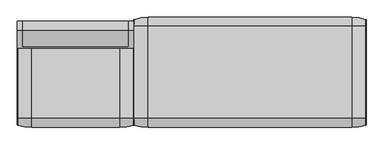
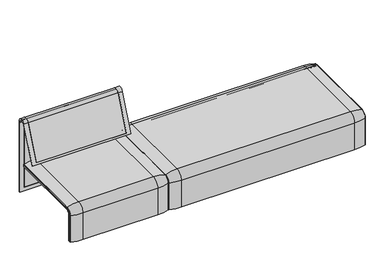
"""IFC4 building model written with IfcOpenShell, lengths in millimetres: furniture geometry."""

from ifc_helpers import new_model, si_unit, point, frame, frame_2d, origin, place, context, project, spatial, polyline, circle_curve, ellipse_curve, trimmed, segment, composite_curve, outline, extrude, source, transform, mapped, element, save
from ifc_brep_helpers import plane_surface, cylinder_surface, revolved_surface, advanced_brep


def furniture_a2a46992(model_context):
    return source(origin(), model_context, "Body", "SolidModel", [
        advanced_brep(
        [(-407.9906244, 323.7517936, 359.922434), (-407.9906244, -323.7517936, 359.922434), (-407.9906244, -351.0, 332.6742277), (-407.9906244, -351.0, 100.5089435), (-407.9906244, -357.5, 100.5089435), (-407.9906244, -357.5, 333.0583003), (-407.9906244, -324.3858663, 366.172434), (-407.9906244, 324.3858663, 366.172434), (-407.9906244, 357.5, 333.0583003), (-407.9906244, 357.5, 100.5089435), (-407.9906244, 351.0, 100.5089435), (-407.9906244, 351.0, 332.6742277), (1223.9718733, 323.7517936, 359.922434), (1223.9718733, 351.0, 332.6742277), (1223.9718733, 351.0, 100.5089435), (1223.9718733, 357.5, 100.5089435), (1223.9718733, 357.5, 333.0583003), (1223.9718733, 324.3858663, 366.172434), (1223.9718733, -324.3858663, 366.172434), (1223.9718733, -357.5, 333.0583003), (1223.9718733, -357.5, 100.5089435), (1223.9718733, -351.0, 100.5089435), (1223.9718733, -351.0, 332.6742277), (1223.9718733, -323.7517936, 359.922434), (-373.0906244, -324.3858663, 366.172434), (-373.0906244, 324.3858663, 366.172434), (1189.0718733, 324.3858663, 366.172434), (1189.0718733, -324.3858663, 366.172434), (-373.0906244, -357.5, 333.0583003), (1189.0718733, -357.5, 333.0583003), (1189.0718733, -357.5, 135.3766997), (-373.0906244, -357.5, 135.3766997), (-373.0906244, -351.0, 332.6742277), (-373.0906244, -351.0, 135.3766997), (1189.0718733, -351.0, 135.3766997), (1189.0718733, -351.0, 332.6742277), (-373.0906244, -323.7517936, 359.922434), (1189.0718733, -323.7517936, 359.922434), (-373.0906244, 323.7517936, 359.922434), (1189.0718733, 323.7517936, 359.922434), (-373.0906244, 357.5, 333.0583003), (1189.0718733, 357.5, 333.0583003), (-373.0906244, 357.5, 135.3766997), (1189.0718733, 357.5, 135.3766997), (1189.0718733, 351.0, 332.6742277), (1189.0718733, 351.0, 135.3766997), (-373.0906244, 351.0, 135.3766997), (-373.0906244, 351.0, 332.6742277)],
        [
            (0, 1),
            (1, 2, circle_curve(frame((-407.9906244, -323.7517936, 332.6742277), z_axis=(1.0, 0.0, 0.0), x_axis=(0.0, -1.0, 0.0)), 27.2482064)),
            (2, 3),
            (3, 4),
            (4, 5),
            (5, 6, circle_curve(frame((-407.9906244, -324.3858663, 333.0583003), z_axis=(-1.0, 0.0, 0.0), x_axis=(0.0, -1.0, 0.0)), 33.1141337)),
            (6, 7),
            (7, 8, circle_curve(frame((-407.9906244, 324.3858663, 333.0583003), z_axis=(-1.0, 0.0, 0.0), x_axis=(0.0, 1.0, 0.0)), 33.1141337)),
            (8, 9),
            (9, 10),
            (10, 11),
            (11, 0, circle_curve(frame((-407.9906244, 323.7517936, 332.6742277), z_axis=(1.0, 0.0, 0.0), x_axis=(0.0, 1.0, 0.0)), 27.2482064)),
            (12, 13, circle_curve(frame((1223.9718733, 323.7517936, 332.6742277), z_axis=(-1.0, 0.0, 0.0), x_axis=(0.0, 1.0, 0.0)), 27.2482064)),
            (13, 14),
            (14, 15),
            (15, 16),
            (16, 17, circle_curve(frame((1223.9718733, 324.3858663, 333.0583003), z_axis=(1.0, 0.0, 0.0), x_axis=(0.0, 1.0, 0.0)), 33.1141337)),
            (17, 18),
            (18, 19, circle_curve(frame((1223.9718733, -324.3858663, 333.0583003), z_axis=(1.0, 0.0, 0.0), x_axis=(0.0, -1.0, 0.0)), 33.1141337)),
            (19, 20),
            (20, 21),
            (21, 22),
            (22, 23, circle_curve(frame((1223.9718733, -323.7517936, 332.6742277), z_axis=(-1.0, 0.0, 0.0), x_axis=(0.0, -1.0, 0.0)), 27.2482064)),
            (23, 12),
            (6, 24),
            (24, 25),
            (25, 7),
            (17, 26),
            (26, 27),
            (27, 18),
            (5, 28),
            (28, 24, circle_curve(frame((-373.0906244, -324.3858663, 333.0583003), z_axis=(-1.0, 0.0, 0.0), x_axis=(0.0, -1.0, 0.0)), 33.1141337)),
            (27, 29, circle_curve(frame((1189.0718733, -324.3858663, 333.0583003), z_axis=(1.0, 0.0, 0.0), x_axis=(0.0, -1.0, 0.0)), 33.1141337)),
            (29, 19),
            (4, 20),
            (29, 30),
            (30, 31),
            (31, 28),
            (3, 21),
            (2, 32),
            (32, 33),
            (33, 34),
            (34, 35),
            (35, 22),
            (1, 36),
            (36, 32, circle_curve(frame((-373.0906244, -323.7517936, 332.6742277), z_axis=(1.0, 0.0, 0.0), x_axis=(0.0, -1.0, 0.0)), 27.2482064)),
            (35, 37, circle_curve(frame((1189.0718733, -323.7517936, 332.6742277), z_axis=(-1.0, 0.0, 0.0), x_axis=(0.0, -1.0, 0.0)), 27.2482064)),
            (37, 23),
            (0, 38),
            (38, 36),
            (37, 39),
            (39, 12),
            (25, 40, circle_curve(frame((-373.0906244, 324.3858663, 333.0583003), z_axis=(-1.0, 0.0, 0.0), x_axis=(0.0, 1.0, 0.0)), 33.1141337)),
            (40, 8),
            (16, 41),
            (41, 26, circle_curve(frame((1189.0718733, 324.3858663, 333.0583003), z_axis=(1.0, 0.0, 0.0), x_axis=(0.0, 1.0, 0.0)), 33.1141337)),
            (40, 42),
            (42, 43),
            (43, 41),
            (15, 9),
            (14, 10),
            (13, 44),
            (44, 45),
            (45, 46),
            (46, 47),
            (47, 11),
            (47, 38, circle_curve(frame((-373.0906244, 323.7517936, 332.6742277), z_axis=(1.0, 0.0, 0.0), x_axis=(0.0, 1.0, 0.0)), 27.2482064)),
            (39, 44, circle_curve(frame((1189.0718733, 323.7517936, 332.6742277), z_axis=(-1.0, 0.0, 0.0), x_axis=(0.0, 1.0, 0.0)), 27.2482064)),
            (46, 42),
            (31, 33),
            (34, 30),
            (43, 45),
        ],
        [
            plane_surface(frame((-407.9906244, -296.9265415, 359.922434), z_axis=(-1.0, 0.0, 0.0), x_axis=(0.0, -1.0, 0.0))),
            plane_surface(frame((1223.9718733, -296.9265415, 359.922434), z_axis=(1.0, 0.0, 0.0), x_axis=(0.0, 1.0, 0.0))),
            plane_surface(frame((-407.9906244, -324.3858663, 366.172434), z_axis=(0.0, 0.0, 1.0), x_axis=(1.0, 0.0, 0.0))),
            cylinder_surface(frame((1223.9718733, -324.3858663, 333.0583003), z_axis=(-1.0, 0.0, 0.0), x_axis=(0.0, -1.0, 0.0)), 33.1141337),
            plane_surface(frame((-407.9906244, -357.5, 100.5089435), z_axis=(0.0, -1.0, 0.0), x_axis=(1.0, 0.0, 0.0))),
            plane_surface(frame((-407.9906244, -351.0, 100.5089435), z_axis=(0.0, 0.0, -1.0), x_axis=(1.0, 0.0, 0.0))),
            plane_surface(frame((-407.9906244, -351.0, 332.6742277), z_axis=(0.0, 1.0, 0.0), x_axis=(1.0, 0.0, 0.0))),
            revolved_surface(polyline([(-373.0906244, -351.0, 332.6742277), (-407.9906243999999, -351.0, 332.6742277)]), (1223.9718733, -323.7517936, 332.6742277), (1.0, 0.0, 0.0)),
            revolved_surface(polyline([(1223.9718733, -351.0, 332.6742277), (1189.0718733, -351.0, 332.6742277)]), (1223.9718733, -323.7517936, 332.6742277), (1.0, 0.0, 0.0)),
            plane_surface(frame((-407.9906244, 323.7517936, 359.922434), z_axis=(0.0, 0.0, -1.0), x_axis=(1.0, 0.0, 0.0))),
            cylinder_surface(frame((1223.9718733, 324.3858663, 333.0583003), z_axis=(-1.0, 0.0, 0.0), x_axis=(0.0, 1.0, 0.0)), 33.1141337),
            plane_surface(frame((-407.9906244, 357.5, 333.0583003), z_axis=(0.0, 1.0, 0.0), x_axis=(1.0, 0.0, 0.0))),
            plane_surface(frame((-407.9906244, 357.5, 100.5089435), z_axis=(0.0, 0.0, -1.0), x_axis=(1.0, 0.0, 0.0))),
            plane_surface(frame((-407.9906244, 351.0, 100.5089435), z_axis=(0.0, -1.0, 0.0), x_axis=(1.0, 0.0, 0.0))),
            revolved_surface(polyline([(-373.0906244, 351.0, 332.6742277), (-407.9906243999999, 351.0, 332.6742277)]), (1223.9718733, 323.7517936, 332.6742277), (1.0, 0.0, 0.0)),
            revolved_surface(polyline([(1223.9718733, 351.0, 332.6742277), (1189.0718733, 351.0, 332.6742277)]), (1223.9718733, 323.7517936, 332.6742277), (1.0, 0.0, 0.0)),
            plane_surface(frame((-373.0906244, -296.9265415, 359.922434), z_axis=(1.0, 0.0, 0.0), x_axis=(0.0, -1.0, 0.0))),
            plane_surface(frame((1189.0718733, -296.9265415, 359.922434), z_axis=(-1.0, 0.0, 0.0), x_axis=(0.0, 1.0, 0.0))),
            plane_surface(frame((-373.0906244, -351.0, 135.3766997), z_axis=(0.0, 0.0, 1.0), x_axis=(1.0, 0.0, 0.0))),
            plane_surface(frame((-373.0906244, 357.5, 135.3766997), z_axis=(0.0, 0.0, 1.0), x_axis=(1.0, 0.0, 0.0))),
        ],
        [
            (0, [[1, 2, 3, 4, 5, 6, 7, 8, 9, 10, 11, 12]]),
            (1, [[13, 14, 15, 16, 17, 18, 19, 20, 21, 22, 23, 24]]),
            (2, [[-7, 25, 26, 27]]),
            (2, [[-18, 28, 29, 30]]),
            (3, [[-6, 31, 32, -25]]),
            (3, [[-19, -30, 33, 34]]),
            (4, [[-5, 35, -20, -34, 36, 37, 38, -31]]),
            (5, [[-4, 39, -21, -35]]),
            (6, [[-3, 40, 41, 42, 43, 44, -22, -39]]),
            (7, [[-2, 45, 46, -40]]),
            (8, [[-23, -44, 47, 48]]),
            (9, [[-1, 49, 50, -45]]),
            (9, [[-24, -48, 51, 52]]),
            (10, [[-8, -27, 53, 54]]),
            (10, [[-17, 55, 56, -28]]),
            (11, [[-9, -54, 57, 58, 59, -55, -16, 60]]),
            (12, [[-10, -60, -15, 61]]),
            (13, [[-11, -61, -14, 62, 63, 64, 65, 66]]),
            (14, [[-12, -66, 67, -49]]),
            (15, [[-13, -52, 68, -62]]),
            (16, [[69, -57, -53, -26, -32, -38, 70, -41, -46, -50, -67, -65]]),
            (17, [[71, -36, -33, -29, -56, -59, 72, -63, -68, -51, -47, -43]]),
            (18, [[-70, -37, -71, -42]]),
            (19, [[-69, -64, -72, -58]]),
        ],
    ),
        extrude(outline(composite_curve([segment(polyline([(323.7517936, 359.922434), (-323.7517936, 359.922434)]), True, "CONTINUOUS"), segment(trimmed(circle_curve(frame_2d((-323.7517936, 332.6742277)), 27.2482064), [point((-323.7517936, 359.922434))], [point((-351.0, 332.6742277))], True, "CARTESIAN"), True, "CONTINUOUS"), segment(polyline([(-351.0, 332.6742277), (-351.0, 135.3766997), (-357.5, 135.3766997), (-357.5, 333.0583003)]), True, "CONTINUOUS"), segment(trimmed(circle_curve(frame_2d((-324.3858663, 333.0583003)), 33.1141337), [point((-357.5, 333.0583003))], [point((-324.3858663, 366.172434))], False, "CARTESIAN"), True, "CONTINUOUS"), segment(polyline([(-324.3858663, 366.172434), (324.3858663, 366.172434)]), True, "CONTINUOUS"), segment(trimmed(circle_curve(frame_2d((324.3858663, 333.0583003)), 33.1141337), [point((324.3858663, 366.172434))], [point((357.5, 333.0583003))], False, "CARTESIAN"), True, "CONTINUOUS"), segment(polyline([(357.5, 333.0583003), (357.5, 135.3766997), (351.0, 135.3766997), (351.0, 332.6742277)]), True, "CONTINUOUS"), segment(trimmed(circle_curve(frame_2d((323.7517936, 332.6742277)), 27.2482064), [point((351.0, 332.6742277))], [point((323.7517936, 359.922434))], True, "CARTESIAN"), True, "CONTINUOUS")], self_intersect=False)), frame((-373.0906244, 0.0, 0.0), z_axis=(1.0, 0.0, 0.0), x_axis=(0.0, 1.0, 0.0)), (0.0, 0.0, 1.0), 1562.1624977),
        advanced_brep(
        [(-407.9906244, -368.7793679, 100.5089435), (-407.9906244, -357.5, 100.5089435), (1223.9718733, -357.5, 100.5089435), (1223.9718733, -368.7793679, 100.5089435), (1221.8332448, -371.6530483, 100.5089435), (1123.9718733, -386.0043559, 100.5089435), (-307.9906244, -386.0043559, 100.5089435), (-405.8519959, -371.6530483, 100.5089435), (-407.9906244, 368.7793679, 100.5089435), (-405.8519959, 371.6530483, 100.5089435), (-307.9906244, 386.0043559, 100.5089435), (1123.9718733, 386.0043559, 100.5089435), (1221.8332448, 371.6530483, 100.5089435), (1223.9718733, 368.7793679, 100.5089435), (1223.9718733, 357.5, 100.5089435), (-407.9906244, 357.5, 100.5089435), (-407.9906244, -368.7793679, 333.0583003), (-407.9906244, -324.3858663, 377.4518019), (-407.9906244, 324.3858663, 377.4518019), (-407.9906244, 368.7793679, 333.0583003), (-407.9906244, 357.5, 333.0583003), (-407.9906244, 324.3858663, 366.172434), (-407.9906244, -324.3858663, 366.172434), (-407.9906244, -357.5, 333.0583003), (1223.9718733, -357.5, 333.0583003), (1123.9718733, -386.0043559, 333.0583003), (-307.9906244, -386.0043559, 333.0583003), (-405.8519959, -371.6530483, 333.0583003), (1223.9718733, -324.3858663, 366.172434), (-307.9906244, -324.3858663, 394.67679), (1123.9718733, -324.3858663, 394.67679), (-405.8519959, -324.3858663, 380.3254823), (1223.9718733, 324.3858663, 366.172434), (1123.9718733, 324.3858663, 394.67679), (-307.9906244, 324.3858663, 394.67679), (-405.8519959, 324.3858663, 380.3254823), (1223.9718733, 357.5, 333.0583003), (-307.9906244, 386.0043559, 333.0583003), (1123.9718733, 386.0043559, 333.0583003), (-405.8519959, 371.6530483, 333.0583003), (1223.9718733, 368.7793679, 333.0583003), (1223.9718733, 324.3858663, 377.4518019), (1223.9718733, -324.3858663, 377.4518019), (1223.9718733, -368.7793679, 333.0583003), (1221.8332448, -371.6530483, 333.0583003), (1221.8332448, -324.3858663, 380.3254823), (1221.8332448, 324.3858663, 380.3254823), (1221.8332448, 371.6530483, 333.0583003)],
        [
            (0, 1),
            (1, 2),
            (2, 3),
            (3, 4, circle_curve(frame((1220.9718733, -368.7793679, 100.5089435), z_axis=(0.0, 0.0, -1.0), x_axis=(-1.0, 0.0, 0.0)), 3.0)),
            (4, 5, circle_curve(frame((1123.9718733, -45.1710226, 100.5089435), z_axis=(0.0, 0.0, -1.0), x_axis=(0.0, 1.0, 0.0)), 340.8333333)),
            (5, 6),
            (6, 7, circle_curve(frame((-307.9906244, -45.1710226, 100.5089435), z_axis=(0.0, 0.0, -1.0), x_axis=(0.0, 1.0, 0.0)), 340.8333333)),
            (7, 0, circle_curve(frame((-404.9906244, -368.7793679, 100.5089435), z_axis=(0.0, 0.0, -1.0), x_axis=(1.0, 0.0, 0.0)), 3.0)),
            (8, 9, circle_curve(frame((-404.9906244, 368.7793679, 100.5089435), z_axis=(0.0, 0.0, -1.0), x_axis=(1.0, 0.0, 0.0)), 3.0)),
            (9, 10, circle_curve(frame((-307.9906244, 45.1710226, 100.5089435), z_axis=(0.0, 0.0, -1.0), x_axis=(0.0, -1.0, 0.0)), 340.8333333)),
            (10, 11),
            (11, 12, circle_curve(frame((1123.9718733, 45.1710226, 100.5089435), z_axis=(0.0, 0.0, -1.0), x_axis=(0.0, -1.0, 0.0)), 340.8333333)),
            (12, 13, circle_curve(frame((1220.9718733, 368.7793679, 100.5089435), z_axis=(0.0, 0.0, -1.0), x_axis=(-1.0, 0.0, 0.0)), 3.0)),
            (13, 14),
            (14, 15),
            (15, 8),
            (0, 16),
            (16, 17, circle_curve(frame((-407.9906244, -324.3858663, 333.0583003), z_axis=(-1.0, 0.0, 0.0), x_axis=(0.0, -1.0, 0.0)), 44.3935016)),
            (17, 18),
            (18, 19, circle_curve(frame((-407.9906244, 324.3858663, 333.0583003), z_axis=(-1.0, 0.0, 0.0), x_axis=(0.0, 0.0, 1.0)), 44.3935016)),
            (19, 8),
            (15, 20),
            (20, 21, circle_curve(frame((-407.9906244, 324.3858663, 333.0583003), z_axis=(1.0, 0.0, 0.0), x_axis=(0.0, 0.0, 1.0)), 33.1141337)),
            (21, 22),
            (22, 23, circle_curve(frame((-407.9906244, -324.3858663, 333.0583003), z_axis=(1.0, 0.0, 0.0), x_axis=(0.0, -1.0, 0.0)), 33.1141337)),
            (23, 1),
            (23, 24),
            (24, 2),
            (5, 25),
            (25, 26),
            (26, 6),
            (26, 27, circle_curve(frame((-307.9906244, -45.1710226, 333.0583003), z_axis=(0.0, 0.0, -1.0), x_axis=(0.0, 1.0, 0.0)), 340.8333333)),
            (27, 7),
            (27, 16, circle_curve(frame((-404.9906244, -368.7793679, 333.0583003), z_axis=(0.0, 0.0, -1.0), x_axis=(1.0, 0.0, 0.0)), 3.0)),
            (28, 24, circle_curve(frame((1223.9718733, -324.3858663, 333.0583003), z_axis=(1.0, 0.0, 0.0), x_axis=(0.0, -1.0, 0.0)), 33.1141337)),
            (22, 28),
            (29, 26, circle_curve(frame((-307.9906244, -324.3858663, 333.0583003), z_axis=(1.0, 0.0, 0.0), x_axis=(0.0, -1.0, 0.0)), 61.6184897)),
            (25, 30, circle_curve(frame((1123.9718733, -324.3858663, 333.0583003), z_axis=(-1.0, 0.0, 0.0), x_axis=(0.0, -1.0, 0.0)), 61.6184897)),
            (30, 29),
            (31, 27, circle_curve(frame((-405.8519959, -324.3858663, 333.0583003), z_axis=(1.0, 0.0, 0.0), x_axis=(0.0, -1.0, 0.0)), 47.267182)),
            (29, 31, circle_curve(frame((-307.9906244, -324.3858663, 53.8434566), z_axis=(0.0, -1.0, 0.0), x_axis=(0.0, 0.0, -1.0)), 340.8333333)),
            (31, 17, circle_curve(frame((-404.9906244, -324.3858663, 377.4518019), z_axis=(0.0, -1.0, 0.0), x_axis=(1.0, 0.0, 0.0)), 3.0)),
            (21, 32),
            (32, 28),
            (30, 33),
            (33, 34),
            (34, 29),
            (34, 35, circle_curve(frame((-307.9906244, 324.3858663, 53.8434566), z_axis=(0.0, -1.0, 0.0), x_axis=(0.0, 0.0, -1.0)), 340.8333333)),
            (35, 31),
            (35, 18, circle_curve(frame((-404.9906244, 324.3858663, 377.4518019), z_axis=(0.0, -1.0, 0.0), x_axis=(1.0, 0.0, 0.0)), 3.0)),
            (36, 32, circle_curve(frame((1223.9718733, 324.3858663, 333.0583003), z_axis=(1.0, 0.0, 0.0), x_axis=(0.0, 0.0, 1.0)), 33.1141337)),
            (20, 36),
            (37, 34, circle_curve(frame((-307.9906244, 324.3858663, 333.0583003), z_axis=(1.0, 0.0, 0.0), x_axis=(0.0, 0.0, 1.0)), 61.6184897)),
            (33, 38, circle_curve(frame((1123.9718733, 324.3858663, 333.0583003), z_axis=(-1.0, 0.0, 0.0), x_axis=(0.0, 0.0, 1.0)), 61.6184897)),
            (38, 37),
            (39, 35, circle_curve(frame((-405.8519959, 324.3858663, 333.0583003), z_axis=(1.0, 0.0, 0.0), x_axis=(0.0, 0.0, 1.0)), 47.267182)),
            (37, 39, circle_curve(frame((-307.9906244, 45.1710226, 333.0583003), z_axis=(0.0, 0.0, 1.0), x_axis=(0.0, -1.0, 0.0)), 340.8333333)),
            (39, 19, circle_curve(frame((-404.9906244, 368.7793679, 333.0583003), z_axis=(0.0, 0.0, 1.0), x_axis=(1.0, 0.0, 0.0)), 3.0)),
            (14, 36),
            (38, 11),
            (10, 37),
            (9, 39),
            (13, 40),
            (40, 41, circle_curve(frame((1223.9718733, 324.3858663, 333.0583003), z_axis=(1.0, 0.0, 0.0), x_axis=(0.0, 0.0, 1.0)), 44.3935016)),
            (41, 42),
            (42, 43, circle_curve(frame((1223.9718733, -324.3858663, 333.0583003), z_axis=(1.0, 0.0, 0.0), x_axis=(0.0, -1.0, 0.0)), 44.3935016)),
            (43, 3),
            (43, 44, circle_curve(frame((1220.9718733, -368.7793679, 333.0583003), z_axis=(0.0, 0.0, -1.0), x_axis=(-1.0, 0.0, 0.0)), 3.0)),
            (44, 4),
            (44, 25, circle_curve(frame((1123.9718733, -45.1710226, 333.0583003), z_axis=(0.0, 0.0, -1.0), x_axis=(0.0, 1.0, 0.0)), 340.8333333)),
            (45, 44, circle_curve(frame((1221.8332448, -324.3858663, 333.0583003), z_axis=(1.0, 0.0, 0.0), x_axis=(0.0, -1.0, 0.0)), 47.267182)),
            (42, 45, circle_curve(frame((1220.9718733, -324.3858663, 377.4518019), z_axis=(0.0, -1.0, 0.0), x_axis=(-1.0, 0.0, 0.0)), 3.0)),
            (45, 30, circle_curve(frame((1123.9718733, -324.3858663, 53.8434566), z_axis=(0.0, -1.0, 0.0), x_axis=(0.0, 0.0, -1.0)), 340.8333333)),
            (41, 46, circle_curve(frame((1220.9718733, 324.3858663, 377.4518019), z_axis=(0.0, -1.0, 0.0), x_axis=(-1.0, 0.0, 0.0)), 3.0)),
            (46, 45),
            (46, 33, circle_curve(frame((1123.9718733, 324.3858663, 53.8434566), z_axis=(0.0, -1.0, 0.0), x_axis=(0.0, 0.0, -1.0)), 340.8333333)),
            (47, 46, circle_curve(frame((1221.8332448, 324.3858663, 333.0583003), z_axis=(1.0, 0.0, 0.0), x_axis=(0.0, 0.0, 1.0)), 47.267182)),
            (40, 47, circle_curve(frame((1220.9718733, 368.7793679, 333.0583003), z_axis=(0.0, 0.0, 1.0), x_axis=(-1.0, 0.0, 0.0)), 3.0)),
            (47, 38, circle_curve(frame((1123.9718733, 45.1710226, 333.0583003), z_axis=(0.0, 0.0, 1.0), x_axis=(0.0, -1.0, 0.0)), 340.8333333)),
            (12, 47),
        ],
        [
            plane_surface(frame((-407.9906244, -357.5, 100.5089435), z_axis=(0.0, 0.0, -1.0), x_axis=(1.0, 0.0, 0.0))),
            plane_surface(frame((-407.9906244, 357.5, 100.5089435), z_axis=(0.0, 0.0, -1.0), x_axis=(1.0, 0.0, 0.0))),
            plane_surface(frame((-407.9906244, -368.7793679, 100.5089435), z_axis=(-1.0, 0.0, 0.0), x_axis=(0.0, 0.0, 1.0))),
            plane_surface(frame((-407.9906244, -357.5, 100.5089435), z_axis=(0.0, 1.0, 0.0), x_axis=(0.0, 0.0, 1.0))),
            plane_surface(frame((1123.9718733, -386.0043559, 100.5089435), z_axis=(0.0, -1.0, 0.0), x_axis=(0.0, 0.0, 1.0))),
            cylinder_surface(frame((-307.9906244, -45.1710226, 100.5089435), z_axis=(0.0, 0.0, -1.0), x_axis=(0.0, 1.0, 0.0)), 340.8333333),
            cylinder_surface(frame((-404.9906244, -368.7793679, 100.5089435), z_axis=(0.0, 0.0, -1.0), x_axis=(1.0, 0.0, 0.0)), 3.0),
            revolved_surface(polyline([(-407.9906244, -357.5, 333.0583003), (1223.9718733, -357.5, 333.0583003)]), (-407.9906244, -324.3858663, 333.0583003), (-1.0, 0.0, 0.0)),
            cylinder_surface(frame((-407.9906244, -324.3858663, 333.0583003), z_axis=(-1.0, 0.0, 0.0), x_axis=(0.0, -1.0, 0.0)), 61.6184897),
            revolved_surface(trimmed(ellipse_curve(frame((-307.9906244, -45.1710226, 333.0583003), z_axis=(0.0, 0.0, -1.0), x_axis=(0.0, 1.0, 0.0)), 340.8333333, 340.8333333), [point((-307.9906244, -386.0043559, 333.0583003))], [point((-405.8519959, -371.6530483, 333.0583003))], True, "CARTESIAN"), (-407.9906244, -324.3858663, 333.0583003), (-1.0, 0.0, 0.0)),
            revolved_surface(trimmed(ellipse_curve(frame((-404.9906244, -368.7793679, 333.0583003), z_axis=(0.0, 0.0, -1.0), x_axis=(1.0, 0.0, 0.0)), 3.0, 3.0), [point((-405.8519959, -371.6530483, 333.0583003))], [point((-407.9906244, -368.7793679, 333.0583003))], True, "CARTESIAN"), (-407.9906244, -324.3858663, 333.0583003), (-1.0, 0.0, 0.0)),
            plane_surface(frame((-407.9906244, -324.3858663, 366.172434), z_axis=(0.0, 0.0, -1.0), x_axis=(0.0, 1.0, 0.0))),
            plane_surface(frame((1123.9718733, -324.3858663, 394.67679), z_axis=(0.0, 0.0, 1.0), x_axis=(0.0, 1.0, 0.0))),
            cylinder_surface(frame((-307.9906244, -324.3858663, 53.8434566), z_axis=(0.0, -1.0, 0.0), x_axis=(0.0, 0.0, -1.0)), 340.8333333),
            cylinder_surface(frame((-404.9906244, -324.3858663, 377.4518019), z_axis=(0.0, -1.0, 0.0), x_axis=(1.0, 0.0, 0.0)), 3.0),
            revolved_surface(polyline([(-407.9906244, 324.3858663, 366.17243399999995), (1223.9718733, 324.3858663, 366.17243399999995)]), (-407.9906244, 324.3858663, 333.0583003), (-1.0, 0.0, 0.0)),
            cylinder_surface(frame((-407.9906244, 324.3858663, 333.0583003), z_axis=(-1.0, 0.0, 0.0), x_axis=(0.0, 0.0, 1.0)), 61.6184897),
            revolved_surface(trimmed(ellipse_curve(frame((-307.9906244, 324.3858663, 53.8434566), z_axis=(0.0, -1.0, 0.0), x_axis=(0.0, 0.0, -1.0)), 340.8333333, 340.8333333), [point((-307.9906244, 324.3858663, 394.67679))], [point((-405.8519959, 324.3858663, 380.3254823))], True, "CARTESIAN"), (-407.9906244, 324.3858663, 333.0583003), (-1.0, 0.0, 0.0)),
            revolved_surface(trimmed(ellipse_curve(frame((-404.9906244, 324.3858663, 377.4518019), z_axis=(0.0, -1.0, 0.0), x_axis=(1.0, 0.0, 0.0)), 3.0, 3.0), [point((-405.8519959, 324.3858663, 380.3254823))], [point((-407.9906244, 324.3858663, 377.4518019))], True, "CARTESIAN"), (-407.9906244, 324.3858663, 333.0583003), (-1.0, 0.0, 0.0)),
            plane_surface(frame((-407.9906244, 357.5, 333.0583003), z_axis=(0.0, -1.0, 0.0), x_axis=(0.0, 0.0, -1.0))),
            plane_surface(frame((1123.9718733, 386.0043559, 333.0583003), z_axis=(0.0, 1.0, 0.0), x_axis=(0.0, 0.0, -1.0))),
            cylinder_surface(frame((-307.9906244, 45.1710226, 333.0583003), z_axis=(0.0, 0.0, 1.0), x_axis=(0.0, -1.0, 0.0)), 340.8333333),
            cylinder_surface(frame((-404.9906244, 368.7793679, 333.0583003), z_axis=(0.0, 0.0, 1.0), x_axis=(1.0, 0.0, 0.0)), 3.0),
            plane_surface(frame((1223.9718733, -357.5, 100.5089435), z_axis=(1.0, 0.0, 0.0), x_axis=(0.0, 0.0, 1.0))),
            cylinder_surface(frame((1220.9718733, -368.7793679, 100.5089435), z_axis=(0.0, 0.0, -1.0), x_axis=(-1.0, 0.0, 0.0)), 3.0),
            cylinder_surface(frame((1123.9718733, -45.1710226, 100.5089435), z_axis=(0.0, 0.0, -1.0), x_axis=(0.0, 1.0, 0.0)), 340.8333333),
            revolved_surface(trimmed(ellipse_curve(frame((1220.9718733, -368.7793679, 333.0583003), z_axis=(0.0, 0.0, -1.0), x_axis=(-1.0, 0.0, 0.0)), 3.0, 3.0), [point((1223.9718733, -368.7793679, 333.0583003))], [point((1221.8332448, -371.6530483, 333.0583003))], True, "CARTESIAN"), (-407.9906244, -324.3858663, 333.0583003), (-1.0, 0.0, 0.0)),
            revolved_surface(trimmed(ellipse_curve(frame((1123.9718733, -45.1710226, 333.0583003), z_axis=(0.0, 0.0, -1.0), x_axis=(0.0, 1.0, 0.0)), 340.8333333, 340.8333333), [point((1221.8332448, -371.6530483, 333.0583003))], [point((1123.9718733, -386.0043559, 333.0583003))], True, "CARTESIAN"), (-407.9906244, -324.3858663, 333.0583003), (-1.0, 0.0, 0.0)),
            cylinder_surface(frame((1220.9718733, -324.3858663, 377.4518019), z_axis=(0.0, -1.0, 0.0), x_axis=(-1.0, 0.0, 0.0)), 3.0),
            cylinder_surface(frame((1123.9718733, -324.3858663, 53.8434566), z_axis=(0.0, -1.0, 0.0), x_axis=(0.0, 0.0, -1.0)), 340.8333333),
            revolved_surface(trimmed(ellipse_curve(frame((1220.9718733, 324.3858663, 377.4518019), z_axis=(0.0, -1.0, 0.0), x_axis=(-1.0, 0.0, 0.0)), 3.0, 3.0), [point((1223.9718733, 324.3858663, 377.4518019))], [point((1221.8332448, 324.3858663, 380.3254823))], True, "CARTESIAN"), (-407.9906244, 324.3858663, 333.0583003), (-1.0, 0.0, 0.0)),
            revolved_surface(trimmed(ellipse_curve(frame((1123.9718733, 324.3858663, 53.8434566), z_axis=(0.0, -1.0, 0.0), x_axis=(0.0, 0.0, -1.0)), 340.8333333, 340.8333333), [point((1221.8332448, 324.3858663, 380.3254823))], [point((1123.9718733, 324.3858663, 394.67679))], True, "CARTESIAN"), (-407.9906244, 324.3858663, 333.0583003), (-1.0, 0.0, 0.0)),
            cylinder_surface(frame((1220.9718733, 368.7793679, 333.0583003), z_axis=(0.0, 0.0, 1.0), x_axis=(-1.0, 0.0, 0.0)), 3.0),
            cylinder_surface(frame((1123.9718733, 45.1710226, 333.0583003), z_axis=(0.0, 0.0, 1.0), x_axis=(0.0, -1.0, 0.0)), 340.8333333),
        ],
        [
            (0, [[1, 2, 3, 4, 5, 6, 7, 8]]),
            (1, [[9, 10, 11, 12, 13, 14, 15, 16]]),
            (2, [[-1, 17, 18, 19, 20, 21, -16, 22, 23, 24, 25, 26]]),
            (3, [[-2, -26, 27, 28]]),
            (4, [[-6, 29, 30, 31]]),
            (5, [[-7, -31, 32, 33]]),
            (6, [[-8, -33, 34, -17]]),
            (7, [[35, -27, -25, 36]]),
            (8, [[37, -30, 38, 39]]),
            (9, [[40, -32, -37, 41]]),
            (10, [[-18, -34, -40, 42]]),
            (11, [[-36, -24, 43, 44]]),
            (12, [[-39, 45, 46, 47]]),
            (13, [[-41, -47, 48, 49]]),
            (14, [[-42, -49, 50, -19]]),
            (15, [[51, -43, -23, 52]]),
            (16, [[53, -46, 54, 55]]),
            (17, [[56, -48, -53, 57]]),
            (18, [[-20, -50, -56, 58]]),
            (19, [[-52, -22, -15, 59]]),
            (20, [[-55, 60, -11, 61]]),
            (21, [[-57, -61, -10, 62]]),
            (22, [[-58, -62, -9, -21]]),
            (23, [[-3, -28, -35, -44, -51, -59, -14, 63, 64, 65, 66, 67]]),
            (24, [[-4, -67, 68, 69]]),
            (25, [[-5, -69, 70, -29]]),
            (26, [[71, -68, -66, 72]]),
            (27, [[-38, -70, -71, 73]]),
            (28, [[-72, -65, 74, 75]]),
            (29, [[-73, -75, 76, -45]]),
            (30, [[77, -74, -64, 78]]),
            (31, [[-54, -76, -77, 79]]),
            (32, [[-78, -63, -13, 80]]),
            (33, [[-79, -80, -12, -60]]),
        ],
    ),
        advanced_brep(
        [(-1223.9718733, 295.0, 359.922434), (-1223.9718733, -323.7517936, 359.922434), (-1223.9718733, -351.0, 332.6742277), (-1223.9718733, -351.0, 100.5089435), (-1223.9718733, -357.5, 100.5089435), (-1223.9718733, -357.5, 333.0583003), (-1223.9718733, -324.3858663, 366.172434), (-1223.9718733, 295.0, 366.172434), (-407.9906244, 295.0, 359.922434), (-407.9906244, 295.0, 366.172434), (-407.9906244, -324.3858663, 366.172434), (-407.9906244, -357.5, 333.0583003), (-407.9906244, -357.5, 100.5089435), (-407.9906244, -351.0, 100.5089435), (-407.9906244, -351.0, 332.6742277), (-407.9906244, -323.7517936, 359.922434), (-1189.0718733, -324.3858663, 366.172434), (-1189.0718733, 260.0, 366.172434), (-442.8906244, 260.0, 366.172434), (-442.8906244, -324.3858663, 366.172434), (-1189.0718733, -357.5, 333.0583003), (-442.8906244, -357.5, 333.0583003), (-442.8906244, -357.5, 135.3766997), (-1189.0718733, -357.5, 135.3766997), (-1189.0718733, -351.0, 332.6742277), (-1189.0718733, -351.0, 135.3766997), (-442.8906244, -351.0, 135.3766997), (-442.8906244, -351.0, 332.6742277), (-1189.0718733, -323.7517936, 359.922434), (-442.8906244, -323.7517936, 359.922434), (-442.8906244, 260.0, 359.922434), (-1189.0718733, 260.0, 359.922434)],
        [
            (0, 1),
            (1, 2, circle_curve(frame((-1223.9718733, -323.7517936, 332.6742277), z_axis=(1.0, 0.0, 0.0), x_axis=(0.0, -1.0, 0.0)), 27.2482064)),
            (2, 3),
            (3, 4),
            (4, 5),
            (5, 6, circle_curve(frame((-1223.9718733, -324.3858663, 333.0583003), z_axis=(-1.0, 0.0, 0.0), x_axis=(0.0, -1.0, 0.0)), 33.1141337)),
            (6, 7),
            (7, 0),
            (8, 9),
            (9, 10),
            (10, 11, circle_curve(frame((-407.9906244, -324.3858663, 333.0583003), z_axis=(1.0, 0.0, 0.0), x_axis=(0.0, -1.0, 0.0)), 33.1141337)),
            (11, 12),
            (12, 13),
            (13, 14),
            (14, 15, circle_curve(frame((-407.9906244, -323.7517936, 332.6742277), z_axis=(-1.0, 0.0, 0.0), x_axis=(0.0, -1.0, 0.0)), 27.2482064)),
            (15, 8),
            (7, 9),
            (8, 0),
            (6, 16),
            (16, 17),
            (17, 18),
            (18, 19),
            (19, 10),
            (5, 20),
            (20, 16, circle_curve(frame((-1189.0718733, -324.3858663, 333.0583003), z_axis=(-1.0, 0.0, 0.0), x_axis=(0.0, -1.0, 0.0)), 33.1141337)),
            (19, 21, circle_curve(frame((-442.8906244, -324.3858663, 333.0583003), z_axis=(1.0, 0.0, 0.0), x_axis=(0.0, -1.0, 0.0)), 33.1141337)),
            (21, 11),
            (4, 12),
            (21, 22),
            (22, 23),
            (23, 20),
            (3, 13),
            (2, 24),
            (24, 25),
            (25, 26),
            (26, 27),
            (27, 14),
            (1, 28),
            (28, 24, circle_curve(frame((-1189.0718733, -323.7517936, 332.6742277), z_axis=(1.0, 0.0, 0.0), x_axis=(0.0, -1.0, 0.0)), 27.2482064)),
            (27, 29, circle_curve(frame((-442.8906244, -323.7517936, 332.6742277), z_axis=(-1.0, 0.0, 0.0), x_axis=(0.0, -1.0, 0.0)), 27.2482064)),
            (29, 15),
            (29, 30),
            (30, 31),
            (31, 28),
            (31, 17),
            (23, 25),
            (26, 22),
            (18, 30),
        ],
        [
            plane_surface(frame((-1223.9718733, -296.9265415, 359.922434), z_axis=(-1.0, 0.0, 0.0), x_axis=(0.0, -1.0, 0.0))),
            plane_surface(frame((-407.9906244, -296.9265415, 359.922434), z_axis=(1.0, 0.0, 0.0), x_axis=(0.0, 1.0, 0.0))),
            plane_surface(frame((-1223.9718733, 295.0, 366.172434), z_axis=(0.0, 1.0, 0.0), x_axis=(1.0, 0.0, 0.0))),
            plane_surface(frame((-1223.9718733, -324.3858663, 366.172434), z_axis=(0.0, 0.0, 1.0), x_axis=(1.0, 0.0, 0.0))),
            cylinder_surface(frame((-407.9906244, -324.3858663, 333.0583003), z_axis=(-1.0, 0.0, 0.0), x_axis=(0.0, -1.0, 0.0)), 33.1141337),
            plane_surface(frame((-1223.9718733, -357.5, 100.5089435), z_axis=(0.0, -1.0, 0.0), x_axis=(1.0, 0.0, 0.0))),
            plane_surface(frame((-1223.9718733, -351.0, 100.5089435), z_axis=(0.0, 0.0, -1.0), x_axis=(1.0, 0.0, 0.0))),
            plane_surface(frame((-1223.9718733, -351.0, 332.6742277), z_axis=(0.0, 1.0, 0.0), x_axis=(1.0, 0.0, 0.0))),
            revolved_surface(polyline([(-1189.0718733, -351.0, 332.6742277), (-1223.9718733, -351.0, 332.6742277)]), (-407.9906244, -323.7517936, 332.6742277), (1.0, 0.0, 0.0)),
            revolved_surface(polyline([(-407.9906244, -351.0, 332.6742277), (-442.8906244, -351.0, 332.6742277)]), (-407.9906244, -323.7517936, 332.6742277), (1.0, 0.0, 0.0)),
            plane_surface(frame((-1223.9718733, 295.0, 359.922434), z_axis=(0.0, 0.0, -1.0), x_axis=(1.0, 0.0, 0.0))),
            plane_surface(frame((-1189.0718733, -296.9265415, 359.922434), z_axis=(1.0, 0.0, 0.0), x_axis=(0.0, -1.0, 0.0))),
            plane_surface(frame((-442.8906244, -296.9265415, 359.922434), z_axis=(-1.0, 0.0, 0.0), x_axis=(0.0, 1.0, 0.0))),
            plane_surface(frame((-1189.0718733, 260.0, 366.172434), z_axis=(0.0, -1.0, 0.0), x_axis=(1.0, 0.0, 0.0))),
            plane_surface(frame((-1189.0718733, -351.0, 135.3766997), z_axis=(0.0, 0.0, 1.0), x_axis=(1.0, 0.0, 0.0))),
        ],
        [
            (0, [[1, 2, 3, 4, 5, 6, 7, 8]]),
            (1, [[9, 10, 11, 12, 13, 14, 15, 16]]),
            (2, [[-8, 17, -9, 18]]),
            (3, [[-7, 19, 20, 21, 22, 23, -10, -17]]),
            (4, [[-6, 24, 25, -19]]),
            (4, [[-11, -23, 26, 27]]),
            (5, [[-5, 28, -12, -27, 29, 30, 31, -24]]),
            (6, [[-4, 32, -13, -28]]),
            (7, [[-3, 33, 34, 35, 36, 37, -14, -32]]),
            (8, [[-2, 38, 39, -33]]),
            (9, [[-15, -37, 40, 41]]),
            (10, [[-1, -18, -16, -41, 42, 43, 44, -38]]),
            (11, [[45, -20, -25, -31, 46, -34, -39, -44]]),
            (12, [[47, -29, -26, -22, 48, -42, -40, -36]]),
            (13, [[-45, -43, -48, -21]]),
            (14, [[-46, -30, -47, -35]]),
        ],
    ),
        extrude(outline(composite_curve([segment(polyline([(260.0, 359.922434), (-323.7517936, 359.922434)]), True, "CONTINUOUS"), segment(trimmed(circle_curve(frame_2d((-323.7517936, 332.6742277)), 27.2482064), [point((-323.7517936, 359.922434))], [point((-351.0, 332.6742277))], True, "CARTESIAN"), True, "CONTINUOUS"), segment(polyline([(-351.0, 332.6742277), (-351.0, 135.3766997), (-357.5, 135.3766997), (-357.5, 333.0583003)]), True, "CONTINUOUS"), segment(trimmed(circle_curve(frame_2d((-324.3858663, 333.0583003)), 33.1141337), [point((-357.5, 333.0583003))], [point((-324.3858663, 366.172434))], False, "CARTESIAN"), True, "CONTINUOUS"), segment(polyline([(-324.3858663, 366.172434), (260.0, 366.172434), (260.0, 359.922434)]), True, "CONTINUOUS")], self_intersect=False)), frame((-1189.0718733, 0.0, 0.0), z_axis=(1.0, 0.0, 0.0), x_axis=(0.0, 1.0, 0.0)), (0.0, 0.0, 1.0), 746.1812488),
        advanced_brep(
        [(-1223.9718733, -368.7793679, 100.5089435), (-1223.9718733, -357.5, 100.5089435), (-407.9906244, -357.5, 100.5089435), (-407.9906244, -368.7793679, 100.5089435), (-410.1292529, -371.6530483, 100.5089435), (-507.9906244, -386.0043559, 100.5089435), (-1123.9718733, -386.0043559, 100.5089435), (-1221.8332448, -371.6530483, 100.5089435), (-1223.9718733, 295.0, 377.4518019), (-1221.8332448, 295.0, 380.3254823), (-1123.9718733, 295.0, 394.67679), (-507.9906244, 295.0, 394.67679), (-410.1292529, 295.0, 380.3254823), (-407.9906244, 295.0, 377.4518019), (-407.9906244, 295.0, 366.172434), (-1223.9718733, 295.0, 366.172434), (-1223.9718733, -368.7793679, 333.0583003), (-1223.9718733, -324.3858663, 377.4518019), (-1223.9718733, -324.3858663, 366.172434), (-1223.9718733, -357.5, 333.0583003), (-407.9906244, -357.5, 333.0583003), (-507.9906244, -386.0043559, 333.0583003), (-1123.9718733, -386.0043559, 333.0583003), (-1221.8332448, -371.6530483, 333.0583003), (-407.9906244, -324.3858663, 366.172434), (-1123.9718733, -324.3858663, 394.67679), (-507.9906244, -324.3858663, 394.67679), (-1221.8332448, -324.3858663, 380.3254823), (-407.9906244, -324.3858663, 377.4518019), (-407.9906244, -368.7793679, 333.0583003), (-410.1292529, -371.6530483, 333.0583003), (-410.1292529, -324.3858663, 380.3254823)],
        [
            (0, 1),
            (1, 2),
            (2, 3),
            (3, 4, circle_curve(frame((-410.9906244, -368.7793679, 100.5089435), z_axis=(0.0, 0.0, -1.0), x_axis=(-1.0, 0.0, 0.0)), 3.0)),
            (4, 5, circle_curve(frame((-507.9906244, -45.1710226, 100.5089435), z_axis=(0.0, 0.0, -1.0), x_axis=(0.0, 1.0, 0.0)), 340.8333333)),
            (5, 6),
            (6, 7, circle_curve(frame((-1123.9718733, -45.1710226, 100.5089435), z_axis=(0.0, 0.0, -1.0), x_axis=(0.0, 1.0, 0.0)), 340.8333333)),
            (7, 0, circle_curve(frame((-1220.9718733, -368.7793679, 100.5089435), z_axis=(0.0, 0.0, -1.0), x_axis=(1.0, 0.0, 0.0)), 3.0)),
            (8, 9, circle_curve(frame((-1220.9718733, 295.0, 377.4518019), z_axis=(0.0, 1.0, 0.0), x_axis=(1.0, 0.0, 0.0)), 3.0)),
            (9, 10, circle_curve(frame((-1123.9718733, 295.0, 53.8434566), z_axis=(0.0, 1.0, 0.0), x_axis=(0.0, 0.0, -1.0)), 340.8333333)),
            (10, 11),
            (11, 12, circle_curve(frame((-507.9906244, 295.0, 53.8434566), z_axis=(0.0, 1.0, 0.0), x_axis=(0.0, 0.0, -1.0)), 340.8333333)),
            (12, 13, circle_curve(frame((-410.9906244, 295.0, 377.4518019), z_axis=(0.0, 1.0, 0.0), x_axis=(-1.0, 0.0, 0.0)), 3.0)),
            (13, 14),
            (14, 15),
            (15, 8),
            (0, 16),
            (16, 17, circle_curve(frame((-1223.9718733, -324.3858663, 333.0583003), z_axis=(-1.0, 0.0, 0.0), x_axis=(0.0, -1.0, 0.0)), 44.3935016)),
            (17, 8),
            (15, 18),
            (18, 19, circle_curve(frame((-1223.9718733, -324.3858663, 333.0583003), z_axis=(1.0, 0.0, 0.0), x_axis=(0.0, -1.0, 0.0)), 33.1141337)),
            (19, 1),
            (19, 20),
            (20, 2),
            (5, 21),
            (21, 22),
            (22, 6),
            (22, 23, circle_curve(frame((-1123.9718733, -45.1710226, 333.0583003), z_axis=(0.0, 0.0, -1.0), x_axis=(0.0, 1.0, 0.0)), 340.8333333)),
            (23, 7),
            (23, 16, circle_curve(frame((-1220.9718733, -368.7793679, 333.0583003), z_axis=(0.0, 0.0, -1.0), x_axis=(1.0, 0.0, 0.0)), 3.0)),
            (24, 20, circle_curve(frame((-407.9906244, -324.3858663, 333.0583003), z_axis=(1.0, 0.0, 0.0), x_axis=(0.0, -1.0, 0.0)), 33.1141337)),
            (18, 24),
            (25, 22, circle_curve(frame((-1123.9718733, -324.3858663, 333.0583003), z_axis=(1.0, 0.0, 0.0), x_axis=(0.0, -1.0, 0.0)), 61.6184897)),
            (21, 26, circle_curve(frame((-507.9906244, -324.3858663, 333.0583003), z_axis=(-1.0, 0.0, 0.0), x_axis=(0.0, -1.0, 0.0)), 61.6184897)),
            (26, 25),
            (27, 23, circle_curve(frame((-1221.8332448, -324.3858663, 333.0583003), z_axis=(1.0, 0.0, 0.0), x_axis=(0.0, -1.0, 0.0)), 47.267182)),
            (25, 27, circle_curve(frame((-1123.9718733, -324.3858663, 53.8434566), z_axis=(0.0, -1.0, 0.0), x_axis=(0.0, 0.0, -1.0)), 340.8333333)),
            (27, 17, circle_curve(frame((-1220.9718733, -324.3858663, 377.4518019), z_axis=(0.0, -1.0, 0.0), x_axis=(1.0, 0.0, 0.0)), 3.0)),
            (14, 24),
            (26, 11),
            (10, 25),
            (9, 27),
            (13, 28),
            (28, 29, circle_curve(frame((-407.9906244, -324.3858663, 333.0583003), z_axis=(1.0, 0.0, 0.0), x_axis=(0.0, -1.0, 0.0)), 44.3935016)),
            (29, 3),
            (29, 30, circle_curve(frame((-410.9906244, -368.7793679, 333.0583003), z_axis=(0.0, 0.0, -1.0), x_axis=(-1.0, 0.0, 0.0)), 3.0)),
            (30, 4),
            (30, 21, circle_curve(frame((-507.9906244, -45.1710226, 333.0583003), z_axis=(0.0, 0.0, -1.0), x_axis=(0.0, 1.0, 0.0)), 340.8333333)),
            (31, 30, circle_curve(frame((-410.1292529, -324.3858663, 333.0583003), z_axis=(1.0, 0.0, 0.0), x_axis=(0.0, -1.0, 0.0)), 47.267182)),
            (28, 31, circle_curve(frame((-410.9906244, -324.3858663, 377.4518019), z_axis=(0.0, -1.0, 0.0), x_axis=(-1.0, 0.0, 0.0)), 3.0)),
            (31, 26, circle_curve(frame((-507.9906244, -324.3858663, 53.8434566), z_axis=(0.0, -1.0, 0.0), x_axis=(0.0, 0.0, -1.0)), 340.8333333)),
            (12, 31),
        ],
        [
            plane_surface(frame((-1223.9718733, -357.5, 100.5089435), z_axis=(0.0, 0.0, -1.0), x_axis=(1.0, 0.0, 0.0))),
            plane_surface(frame((-1223.9718733, 295.0, 366.172434), z_axis=(0.0, 1.0, 0.0), x_axis=(1.0, 0.0, 0.0))),
            plane_surface(frame((-1223.9718733, -368.7793679, 100.5089435), z_axis=(-1.0, 0.0, 0.0), x_axis=(0.0, 0.0, 1.0))),
            plane_surface(frame((-1223.9718733, -357.5, 100.5089435), z_axis=(0.0, 1.0, 0.0), x_axis=(0.0, 0.0, 1.0))),
            plane_surface(frame((-507.9906244, -386.0043559, 100.5089435), z_axis=(0.0, -1.0, 0.0), x_axis=(0.0, 0.0, 1.0))),
            cylinder_surface(frame((-1123.9718733, -45.1710226, 100.5089435), z_axis=(0.0, 0.0, -1.0), x_axis=(0.0, 1.0, 0.0)), 340.8333333),
            cylinder_surface(frame((-1220.9718733, -368.7793679, 100.5089435), z_axis=(0.0, 0.0, -1.0), x_axis=(1.0, 0.0, 0.0)), 3.0),
            revolved_surface(polyline([(-1223.9718733, -357.5, 333.0583003), (-407.9906244, -357.5, 333.0583003)]), (-1223.9718733, -324.3858663, 333.0583003), (-1.0, 0.0, 0.0)),
            cylinder_surface(frame((-1223.9718733, -324.3858663, 333.0583003), z_axis=(-1.0, 0.0, 0.0), x_axis=(0.0, -1.0, 0.0)), 61.6184897),
            revolved_surface(trimmed(ellipse_curve(frame((-1123.9718733, -45.1710226, 333.0583003), z_axis=(0.0, 0.0, -1.0), x_axis=(0.0, 1.0, 0.0)), 340.8333333, 340.8333333), [point((-1123.9718733, -386.0043559, 333.0583003))], [point((-1221.8332448, -371.6530483, 333.0583003))], True, "CARTESIAN"), (-1223.9718733, -324.3858663, 333.0583003), (-1.0, 0.0, 0.0)),
            revolved_surface(trimmed(ellipse_curve(frame((-1220.9718733, -368.7793679, 333.0583003), z_axis=(0.0, 0.0, -1.0), x_axis=(1.0, 0.0, 0.0)), 3.0, 3.0), [point((-1221.8332448, -371.6530483, 333.0583003))], [point((-1223.9718733, -368.7793679, 333.0583003))], True, "CARTESIAN"), (-1223.9718733, -324.3858663, 333.0583003), (-1.0, 0.0, 0.0)),
            plane_surface(frame((-1223.9718733, -324.3858663, 366.172434), z_axis=(0.0, 0.0, -1.0), x_axis=(0.0, 1.0, 0.0))),
            plane_surface(frame((-507.9906244, -324.3858663, 394.67679), z_axis=(0.0, 0.0, 1.0), x_axis=(0.0, 1.0, 0.0))),
            cylinder_surface(frame((-1123.9718733, -324.3858663, 53.8434566), z_axis=(0.0, -1.0, 0.0), x_axis=(0.0, 0.0, -1.0)), 340.8333333),
            cylinder_surface(frame((-1220.9718733, -324.3858663, 377.4518019), z_axis=(0.0, -1.0, 0.0), x_axis=(1.0, 0.0, 0.0)), 3.0),
            plane_surface(frame((-407.9906244, -357.5, 100.5089435), z_axis=(1.0, 0.0, 0.0), x_axis=(0.0, 0.0, 1.0))),
            cylinder_surface(frame((-410.9906244, -368.7793679, 100.5089435), z_axis=(0.0, 0.0, -1.0), x_axis=(-1.0, 0.0, 0.0)), 3.0),
            cylinder_surface(frame((-507.9906244, -45.1710226, 100.5089435), z_axis=(0.0, 0.0, -1.0), x_axis=(0.0, 1.0, 0.0)), 340.8333333),
            revolved_surface(trimmed(ellipse_curve(frame((-410.9906244, -368.7793679, 333.0583003), z_axis=(0.0, 0.0, -1.0), x_axis=(-1.0, 0.0, 0.0)), 3.0, 3.0), [point((-407.9906244, -368.7793679, 333.0583003))], [point((-410.1292529, -371.6530483, 333.0583003))], True, "CARTESIAN"), (-1223.9718733, -324.3858663, 333.0583003), (-1.0, 0.0, 0.0)),
            revolved_surface(trimmed(ellipse_curve(frame((-507.9906244, -45.1710226, 333.0583003), z_axis=(0.0, 0.0, -1.0), x_axis=(0.0, 1.0, 0.0)), 340.8333333, 340.8333333), [point((-410.1292529, -371.6530483, 333.0583003))], [point((-507.9906244, -386.0043559, 333.0583003))], True, "CARTESIAN"), (-1223.9718733, -324.3858663, 333.0583003), (-1.0, 0.0, 0.0)),
            cylinder_surface(frame((-410.9906244, -324.3858663, 377.4518019), z_axis=(0.0, -1.0, 0.0), x_axis=(-1.0, 0.0, 0.0)), 3.0),
            cylinder_surface(frame((-507.9906244, -324.3858663, 53.8434566), z_axis=(0.0, -1.0, 0.0), x_axis=(0.0, 0.0, -1.0)), 340.8333333),
        ],
        [
            (0, [[1, 2, 3, 4, 5, 6, 7, 8]]),
            (1, [[9, 10, 11, 12, 13, 14, 15, 16]]),
            (2, [[-1, 17, 18, 19, -16, 20, 21, 22]]),
            (3, [[-2, -22, 23, 24]]),
            (4, [[-6, 25, 26, 27]]),
            (5, [[-7, -27, 28, 29]]),
            (6, [[-8, -29, 30, -17]]),
            (7, [[31, -23, -21, 32]]),
            (8, [[33, -26, 34, 35]]),
            (9, [[36, -28, -33, 37]]),
            (10, [[-18, -30, -36, 38]]),
            (11, [[-32, -20, -15, 39]]),
            (12, [[-35, 40, -11, 41]]),
            (13, [[-37, -41, -10, 42]]),
            (14, [[-38, -42, -9, -19]]),
            (15, [[-3, -24, -31, -39, -14, 43, 44, 45]]),
            (16, [[-4, -45, 46, 47]]),
            (17, [[-5, -47, 48, -25]]),
            (18, [[49, -46, -44, 50]]),
            (19, [[-34, -48, -49, 51]]),
            (20, [[-50, -43, -13, 52]]),
            (21, [[-51, -52, -12, -40]]),
        ],
    ),
        advanced_brep(
        [(-407.9740803, 351.0000061, 101.8476716), (-407.9740803, 359.7858817, 101.8476716), (-407.9740803, 359.7858817, 720.3417731), (-407.9740803, 292.4403877, 733.7122262), (-407.9740803, 170.1966807, 437.98305), (-407.9740803, 175.0204081, 435.9866665), (-407.9740803, 296.2458652, 723.9869215), (-407.9740803, 351.0000061, 712.9272623), (-1223.9553291, 351.0000061, 101.8476716), (-1223.9553291, 351.0000061, 712.9272623), (-1223.9553291, 296.2720241, 723.9759107), (-1223.9553291, 175.0204081, 435.9866665), (-1223.9553291, 170.1966807, 437.98305), (-1223.9553291, 292.4403877, 733.7122262), (-1223.9553291, 359.7858817, 720.3417731), (-1223.9553291, 359.7858817, 101.8476716), (-442.8906244, 292.4403877, 733.7122262), (-442.8906244, 176.0980387, 452.25948), (-1189.0718733, 176.0980387, 452.25948), (-1189.0718733, 292.4403877, 733.7122262), (-1189.0718733, 296.2458652, 723.9869215), (-1189.0718733, 181.0136548, 450.2250668), (-442.8906244, 181.0136548, 450.2250668), (-442.8906244, 296.2458652, 723.9869215), (-442.8906244, 351.0000061, 712.9272623), (-442.8906244, 351.0000061, 135.3766997), (-1189.0718733, 351.0000061, 135.3766997), (-1189.0718733, 351.0000061, 712.9272623), (-1189.0718733, 359.7858817, 720.3417731), (-1189.0718733, 359.7858817, 135.3766997), (-442.8906244, 359.7858817, 135.3766997), (-442.8906244, 359.7858817, 720.3417731)],
        [
            (0, 1),
            (1, 2),
            (2, 3, circle_curve(frame((-407.9740803, 324.7858817, 720.3417731), z_axis=(1.0, 0.0, 0.0), x_axis=(0.0, -1.0, 0.0)), 35.0)),
            (3, 4),
            (4, 5),
            (5, 6),
            (6, 7, circle_curve(frame((-407.9740803, 322.520748, 712.9272623), z_axis=(-1.0, 0.0, 0.0), x_axis=(0.0, -1.0, 0.0)), 28.479258)),
            (7, 0),
            (8, 9),
            (9, 10, circle_curve(frame((-1223.9553291, 322.520748, 712.9272623), z_axis=(1.0, 0.0, 0.0), x_axis=(0.0, -1.0, 0.0)), 28.479258)),
            (10, 11),
            (11, 12),
            (12, 13),
            (13, 14, circle_curve(frame((-1223.9553291, 324.7858817, 720.3417731), z_axis=(-1.0, 0.0, 0.0), x_axis=(0.0, -1.0, 0.0)), 35.0)),
            (14, 15),
            (15, 8),
            (3, 16),
            (16, 17),
            (17, 18),
            (18, 19),
            (19, 13),
            (12, 4),
            (11, 5),
            (10, 20),
            (20, 21),
            (21, 22),
            (22, 23),
            (23, 6),
            (7, 24),
            (24, 25),
            (25, 26),
            (26, 27),
            (27, 9),
            (8, 0),
            (15, 1),
            (14, 28),
            (28, 29),
            (29, 30),
            (30, 31),
            (31, 2),
            (31, 16, circle_curve(frame((-442.8906244, 324.7858817, 720.3417731), z_axis=(1.0, 0.0, 0.0), x_axis=(0.0, -1.0, 0.0)), 35.0)),
            (19, 28, circle_curve(frame((-1189.0718733, 324.7858817, 720.3417731), z_axis=(-1.0, 0.0, 0.0), x_axis=(0.0, -1.0, 0.0)), 35.0)),
            (23, 24, circle_curve(frame((-442.8906244, 322.520748, 712.9272623), z_axis=(-1.0, 0.0, 0.0), x_axis=(0.0, -1.0, 0.0)), 28.479258)),
            (27, 20, circle_curve(frame((-1189.0718733, 322.520748, 712.9272623), z_axis=(1.0, 0.0, 0.0), x_axis=(0.0, -1.0, 0.0)), 28.479258)),
            (22, 17),
            (30, 25),
            (26, 29),
            (18, 21),
        ],
        [
            plane_surface(frame((-407.9740803, 359.7858817, 101.8476716), z_axis=(1.0, 0.0, 0.0), x_axis=(0.0, 1.0, 0.0))),
            plane_surface(frame((-1223.9553291, 359.7858817, 101.8476716), z_axis=(-1.0, 0.0, 0.0), x_axis=(0.0, -1.0, 0.0))),
            plane_surface(frame((-407.9740803, 292.4403877, 733.7122262), z_axis=(0.0, -0.9241569717933176, 0.3820129467515535), x_axis=(-1.0, 0.0, 0.0))),
            plane_surface(frame((-407.9740803, 170.1966807, 437.98305), z_axis=(0.0, -0.38241039441983893, -0.9239925812687368), x_axis=(-1.0, 0.0, 0.0))),
            plane_surface(frame((-407.9740803, 175.0204081, 435.9866665), z_axis=(0.0, 0.921678643444566, -0.3879542218073993), x_axis=(-1.0, 0.0, 0.0))),
            plane_surface(frame((-407.9740803, 351.0000061, 712.9272623), z_axis=(0.0, -1.0, 0.0), x_axis=(-1.0, 0.0, 0.0))),
            plane_surface(frame((-407.9740803, 351.0000061, 101.8476716), z_axis=(0.0, 0.0, -1.0), x_axis=(-1.0, 0.0, 0.0))),
            plane_surface(frame((-407.9740803, 359.7858817, 101.8476716), z_axis=(0.0, 1.0, 0.0), x_axis=(-1.0, 0.0, 0.0))),
            cylinder_surface(frame((-1223.9553291, 324.7858817, 720.3417731), z_axis=(1.0, 0.0, 0.0), x_axis=(0.0, -1.0, 0.0)), 35.0),
            revolved_surface(polyline([(-442.8906244, 294.04149, 712.9272623), (-407.97408029999997, 294.04149, 712.9272623)]), (-1223.9553291, 322.520748, 712.9272623), (-1.0, 0.0, 0.0)),
            revolved_surface(polyline([(-1223.9553291, 294.04149, 712.9272623), (-1189.0718733, 294.04149, 712.9272623)]), (-1223.9553291, 322.520748, 712.9272623), (-1.0, 0.0, 0.0)),
            plane_surface(frame((-442.8906244, 359.7858817, 135.3766997), z_axis=(-1.0, 0.0, 0.0), x_axis=(0.0, 1.0, 0.0))),
            plane_surface(frame((-1189.0718733, 359.7858817, 135.3766997), z_axis=(1.0, 0.0, 0.0), x_axis=(0.0, -1.0, 0.0))),
            plane_surface(frame((-442.8906244, 166.9120641, 456.0612553), z_axis=(0.0, 0.38241039441982605, 0.9239925812687422), x_axis=(-1.0, 0.0, 0.0))),
            plane_surface(frame((-442.8906244, 344.7858817, 135.3766997), z_axis=(0.0, 0.0, 1.0), x_axis=(-1.0, 0.0, 0.0))),
        ],
        [
            (0, [[1, 2, 3, 4, 5, 6, 7, 8]]),
            (1, [[9, 10, 11, 12, 13, 14, 15, 16]]),
            (2, [[-4, 17, 18, 19, 20, 21, -13, 22]]),
            (3, [[-5, -22, -12, 23]]),
            (4, [[-6, -23, -11, 24, 25, 26, 27, 28]]),
            (5, [[-8, 29, 30, 31, 32, 33, -9, 34]]),
            (6, [[-1, -34, -16, 35]]),
            (7, [[-2, -35, -15, 36, 37, 38, 39, 40]]),
            (8, [[-3, -40, 41, -17]]),
            (8, [[-14, -21, 42, -36]]),
            (9, [[-7, -28, 43, -29]]),
            (10, [[-10, -33, 44, -24]]),
            (11, [[45, -18, -41, -39, 46, -30, -43, -27]]),
            (12, [[47, -37, -42, -20, 48, -25, -44, -32]]),
            (13, [[-45, -26, -48, -19]]),
            (14, [[-46, -38, -47, -31]]),
        ],
    ),
        advanced_brep(
        [(-442.8906244, 351.0000061, 135.3766997), (-442.8906244, 359.7858817, 135.3766997), (-442.8906244, 359.7858817, 720.3417731), (-442.8906244, 292.4403877, 733.7122262), (-442.8906244, 176.0980387, 452.25948), (-442.8906244, 181.0136548, 450.2250668), (-442.8906244, 296.2458652, 723.9869215), (-442.8906244, 351.0000061, 712.9272623), (-1189.0718733, 351.0000061, 135.3766997), (-1189.0718733, 351.0000061, 712.9272623), (-1189.0718733, 296.2720241, 723.9759107), (-1189.0718733, 181.0136548, 450.2250668), (-1189.0718733, 176.0980387, 452.25948), (-1189.0718733, 292.4403877, 733.7122262), (-1189.0718733, 359.7858817, 720.3417731), (-1189.0718733, 359.7858817, 135.3766997)],
        [
            (0, 1),
            (1, 2),
            (2, 3, circle_curve(frame((-442.8906244, 324.7858817, 720.3417731), z_axis=(1.0, 0.0, 0.0), x_axis=(0.0, -1.0, 0.0)), 35.0)),
            (3, 4),
            (4, 5),
            (5, 6),
            (6, 7, circle_curve(frame((-442.8906244, 322.520748, 712.9272623), z_axis=(-1.0, 0.0, 0.0), x_axis=(0.0, -1.0, 0.0)), 28.479258)),
            (7, 0),
            (8, 9),
            (9, 10, circle_curve(frame((-1189.0718733, 322.520748, 712.9272623), z_axis=(1.0, 0.0, 0.0), x_axis=(0.0, -1.0, 0.0)), 28.479258)),
            (10, 11),
            (11, 12),
            (12, 13),
            (13, 14, circle_curve(frame((-1189.0718733, 324.7858817, 720.3417731), z_axis=(-1.0, 0.0, 0.0), x_axis=(0.0, -1.0, 0.0)), 35.0)),
            (14, 15),
            (15, 8),
            (3, 13),
            (12, 4),
            (11, 5),
            (10, 6),
            (7, 9),
            (8, 0),
            (15, 1),
            (14, 2),
        ],
        [
            plane_surface(frame((-442.8906244, 359.7858817, 135.3766997), z_axis=(1.0, 0.0, 0.0), x_axis=(0.0, 1.0, 0.0))),
            plane_surface(frame((-1189.0718733, 359.7858817, 135.3766997), z_axis=(-1.0, 0.0, 0.0), x_axis=(0.0, -1.0, 0.0))),
            plane_surface(frame((-442.8906244, 292.4403877, 733.7122262), z_axis=(0.0, -0.9241569717933176, 0.3820129467515535), x_axis=(-1.0, 0.0, 0.0))),
            plane_surface(frame((-442.8906244, 176.0980387, 452.25948), z_axis=(0.0, -0.38241039441982716, -0.9239925812687417), x_axis=(-1.0, 0.0, 0.0))),
            plane_surface(frame((-442.8906244, 181.0136548, 450.2250668), z_axis=(0.0, 0.921678643444566, -0.3879542218073993), x_axis=(-1.0, 0.0, 0.0))),
            plane_surface(frame((-442.8906244, 351.0000061, 712.9272623), z_axis=(0.0, -1.0, 0.0), x_axis=(-1.0, 0.0, 0.0))),
            plane_surface(frame((-442.8906244, 351.0000061, 135.3766997), z_axis=(0.0, 0.0, -1.0), x_axis=(-1.0, 0.0, 0.0))),
            plane_surface(frame((-442.8906244, 359.7858817, 135.3766997), z_axis=(0.0, 1.0, 0.0), x_axis=(-1.0, 0.0, 0.0))),
            cylinder_surface(frame((-1189.0718733, 324.7858817, 720.3417731), z_axis=(1.0, 0.0, 0.0), x_axis=(0.0, -1.0, 0.0)), 35.0),
            revolved_surface(polyline([(-1189.0718733, 294.04149, 712.9272623), (-442.8906244, 294.04149, 712.9272623)]), (-1189.0718733, 322.520748, 712.9272623), (-1.0, 0.0, 0.0)),
        ],
        [
            (0, [[1, 2, 3, 4, 5, 6, 7, 8]]),
            (1, [[9, 10, 11, 12, 13, 14, 15, 16]]),
            (2, [[-4, 17, -13, 18]]),
            (3, [[-5, -18, -12, 19]]),
            (4, [[-6, -19, -11, 20]]),
            (5, [[-8, 21, -9, 22]]),
            (6, [[-1, -22, -16, 23]]),
            (7, [[-2, -23, -15, 24]]),
            (8, [[-3, -24, -14, -17]]),
            (9, [[-7, -20, -10, -21]]),
        ],
    ),
    ])


if __name__ == "__main__":
    model = new_model("IFC4")
    model_context = context("Model", 3, world=origin())
    ifc_project = project(units=[si_unit("LENGTHUNIT", "METRE", prefix="MILLI")], contexts=[model_context])
    site = spatial("IfcSite", under=ifc_project)
    building = spatial("IfcBuilding", under=site)
    placement = place(None, origin())
    furniture_shape = furniture_a2a46992(model_context)
    element("IfcFurniture", 1, at=placement, inside=building, context=model_context, shape_type="MappedRepresentation", body=[
        mapped(furniture_shape, transform((0.0, 0.0, 0.0), x_axis=(1.0, 0.0, 0.0), y_axis=(0.0, 1.0, 0.0), z_axis=(0.0, 0.0, 1.0))),
    ])
    save(model, "model.ifc")
